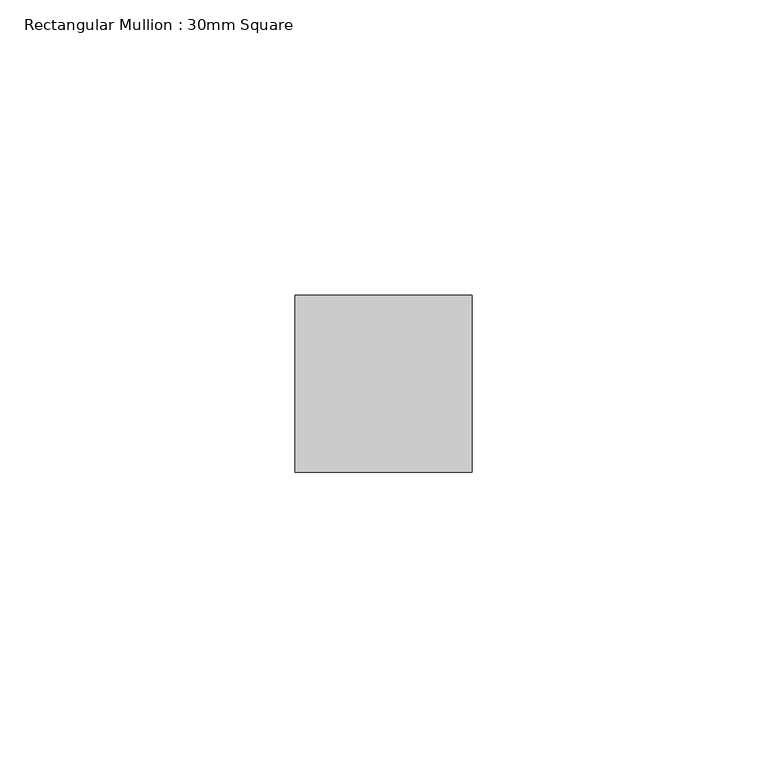
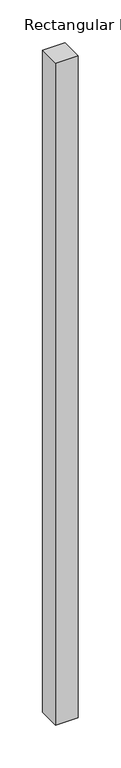
"""IFC4 building model written with IfcOpenShell, lengths in millimetres: member geometry, Rectangular Mullion : 30mm Square."""

from ifc_helpers import new_model, si_unit, frame, origin, place, context, project, spatial, polyline, outline, extrude, source, transform, mapped, element, save


def rectangular_mullion_30mm_square_0ccf11ad(model_context):
    return source(origin(), model_context, "Body", "SweptSolid", [
        extrude(outline(polyline([(0.0, 15.0), (0.0, -15.0), (-30.0, -15.0), (-30.0, 15.0), (0.0, 15.0)])), frame((0.0, 0.0, -940.7678036), z_axis=(0.0, 0.0, 1.0), x_axis=(1.0, 0.0, 0.0)), (0.0, 0.0, 1.0), 940.7678036),
    ])


if __name__ == "__main__":
    model = new_model("IFC4")
    model_context = context("Model", 3, world=origin())
    ifc_project = project(units=[si_unit("LENGTHUNIT", "METRE", prefix="MILLI")], contexts=[model_context])
    site = spatial("IfcSite", under=ifc_project)
    building = spatial("IfcBuilding", under=site)
    placement = place(None, origin())
    rectangular_mullion_30mm_square_shape = rectangular_mullion_30mm_square_0ccf11ad(model_context)
    element("IfcMember", 1, ObjectType="Rectangular Mullion : 30mm Square", at=placement, inside=building, context=model_context, shape_type="MappedRepresentation", body=[
        mapped(rectangular_mullion_30mm_square_shape, transform((0.0, 0.0, 0.0), x_axis=(1.0, 0.0, 0.0), y_axis=(0.0, 1.0, 0.0), z_axis=(0.0, 0.0, 1.0))),
    ])
    save(model, "model.ifc")
